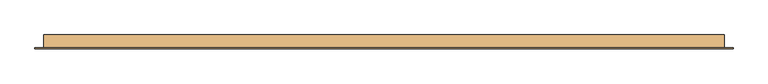
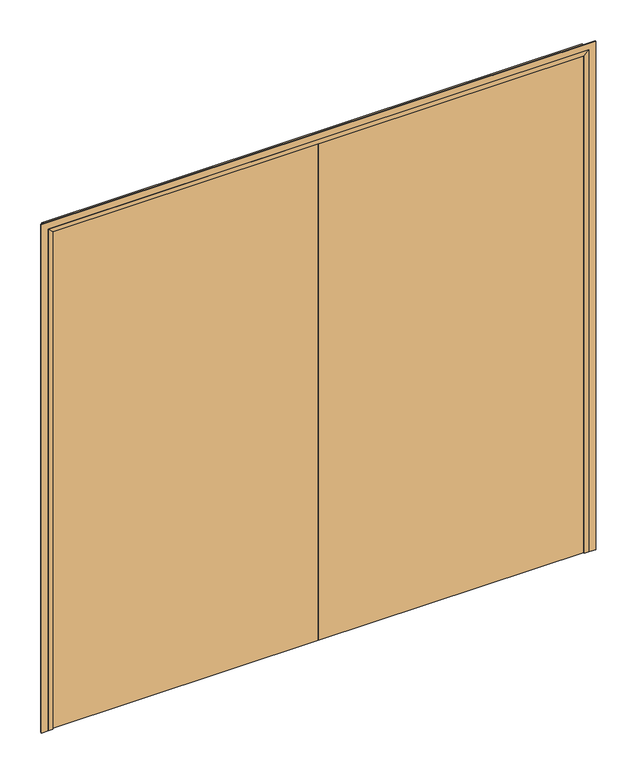
"""IFC4 building model written with IfcOpenShell, lengths in millimetres: door geometry."""

from ifc_helpers import new_model, si_unit, frame, origin, place, context, project, spatial, polyline, outline, extrude, faceted_brep, source, transform, mapped, element, save


def door_9f511833(model_context):
    return source(origin(), model_context, "Body", "SolidModel", [
        faceted_brep([(-1247.0, 37.0, 0.0), (-1247.0, -15.0, 0.0), (-1268.0, -15.0, 0.0), (-1268.0, 37.0, 0.0), (-1247.0, 37.0, 2467.0), (-1247.0, -15.0, 2467.0), (-1268.0, -15.0, 2488.0), (-1268.0, 37.0, 2488.0), (1247.0, 37.0, 0.0), (1268.0, 37.0, 0.0), (1268.0, -15.0, 0.0), (1247.0, -15.0, 0.0), (1268.0, 37.0, 2488.0), (1247.0, 37.0, 2467.0), (1268.0, -15.0, 2488.0), (1247.0, -15.0, 2467.0)], [[[0, 1, 2, 3]], [[0, 4, 5, 1]], [[1, 5, 6, 2]], [[2, 6, 7, 3]], [[3, 7, 4, 0]], [[8, 9, 10, 11]], [[12, 9, 8, 13]], [[14, 10, 9, 12]], [[15, 11, 10, 14]], [[13, 8, 11, 15]], [[4, 13, 15, 5]], [[5, 15, 14, 6]], [[6, 14, 12, 7]], [[7, 12, 13, 4]]]),
        extrude(outline(polyline([(2520.0, -1300.0), (0.0, -1300.0), (0.0, -1268.0), (2488.0, -1268.0), (2488.0, 1268.0), (0.0, 1268.0), (0.0, 1300.0), (2520.0, 1300.0), (2520.0, -1300.0)])), frame((0.0, -15.0, 0.0), z_axis=(0.0, 1.0, 0.0), x_axis=(0.0, 0.0, 1.0)), (0.0, 0.0, 1.0), 5.0),
        extrude(outline(polyline([(1.0739506, 34.0), (1.0739506, -10.0), (-1265.0, -10.0), (-1265.0, 34.0), (1.0739506, 34.0)])), frame((0.0, 0.0, 1.753223), z_axis=(0.0, 0.0, 1.0), x_axis=(1.0, 0.0, 0.0)), (0.0, 0.0, 1.0), 2486.246777),
        extrude(outline(polyline([(1265.0, 34.0), (1265.0, -10.0), (1.0739506, -10.0), (1.0739506, 34.0), (1265.0, 34.0)])), frame((0.0, 0.0, 1.753223), z_axis=(0.0, 0.0, 1.0), x_axis=(1.0, 0.0, 0.0)), (0.0, 0.0, 1.0), 2486.246777),
    ])


if __name__ == "__main__":
    model = new_model("IFC4")
    model_context = context("Model", 3, world=origin())
    ifc_project = project(units=[si_unit("LENGTHUNIT", "METRE", prefix="MILLI")], contexts=[model_context])
    site = spatial("IfcSite", under=ifc_project)
    building = spatial("IfcBuilding", under=site)
    placement = place(None, origin())
    door_shape = door_9f511833(model_context)
    element("IfcDoor", 1, at=placement, inside=building, context=model_context, shape_type="MappedRepresentation", body=[
        mapped(door_shape, transform((0.0, 0.0, 0.0), x_axis=(1.0, 0.0, 0.0), y_axis=(0.0, 1.0, 0.0), z_axis=(0.0, 0.0, 1.0))),
    ])
    save(model, "model.ifc")
